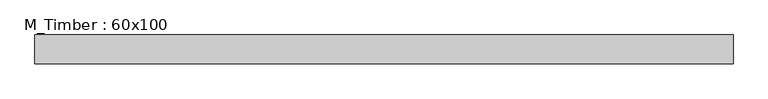
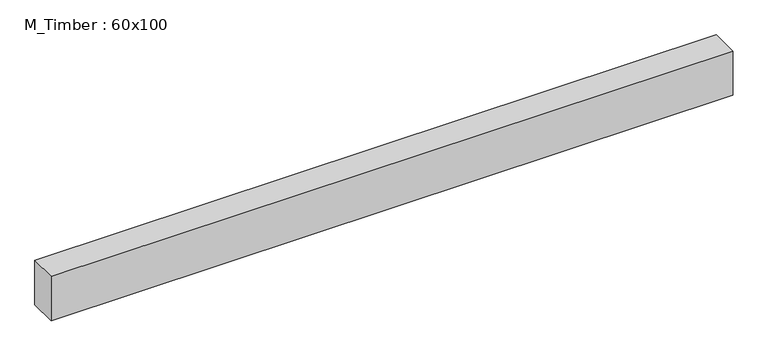
"""IFC4 building model written with IfcOpenShell, lengths in millimetres: beam geometry, M_Timber : 60x100."""

from ifc_helpers import new_model, si_unit, frame, origin, place, context, project, spatial, polyline, outline, extrude, source, transform, mapped, element, save


def m_timber_60x100_413df893(model_context):
    return source(origin(), model_context, "Body", "SweptSolid", [
        extrude(outline(polyline([(736.282851, 30.0), (736.282851, -30.0), (-717.272042, -30.0), (-717.272042, 30.0), (736.282851, 30.0)])), frame((0.0, 0.0, -50.0), z_axis=(0.0, 0.0, 1.0), x_axis=(1.0, 0.0, 0.0)), (0.0, 0.0, 1.0), 100.0),
    ])


if __name__ == "__main__":
    model = new_model("IFC4")
    model_context = context("Model", 3, world=origin())
    ifc_project = project(units=[si_unit("LENGTHUNIT", "METRE", prefix="MILLI")], contexts=[model_context])
    site = spatial("IfcSite", under=ifc_project)
    building = spatial("IfcBuilding", under=site)
    placement = place(None, origin())
    m_timber_60x100_shape = m_timber_60x100_413df893(model_context)
    element("IfcBeam", 1, ObjectType="M_Timber : 60x100", at=placement, inside=building, context=model_context, shape_type="MappedRepresentation", body=[
        mapped(m_timber_60x100_shape, transform((0.0, 0.0, 0.0), x_axis=(1.0, 0.0, 0.0), y_axis=(0.0, 1.0, 0.0), z_axis=(0.0, 0.0, 1.0))),
    ])
    save(model, "model.ifc")
